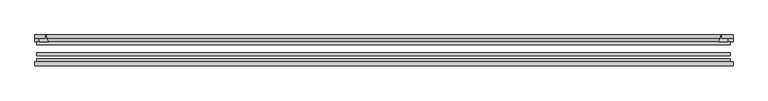
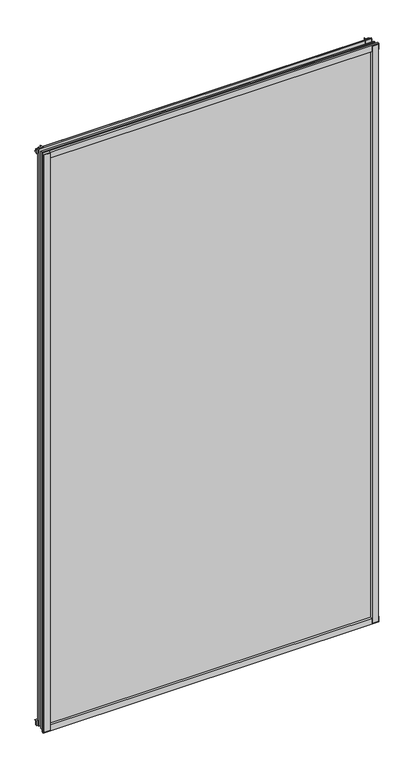
"""IFC4 building model written with IfcOpenShell, lengths in millimetres: plate geometry."""

from ifc_helpers import new_model, si_unit, point, frame, frame_2d, origin, place, context, project, spatial, polyline, circle_curve, trimmed, segment, composite_curve, outline, extrude, source, transform, mapped, element, save


def plate_1f5211c1(model_context):
    return source(origin(), model_context, "Body", "SweptSolid", [
        extrude(outline(composite_curve([segment(polyline([(-549.0765856, -78.7828625), (-527.6553843, -78.7828625)]), True, "CONTINUOUS"), segment(trimmed(circle_curve(frame_2d((-520.0182187, -84.652782)), 9.6323545), [point((-527.6553843, -78.7828625))], [point((-529.6386021, -85.1328625))], True, "CARTESIAN"), True, "CONTINUOUS"), segment(polyline([(-529.6386021, -85.1328625), (-549.0765856, -85.1328625), (-549.0765856, -78.7828625)]), True, "CONTINUOUS")], self_intersect=False)), frame((0.0, 0.0, -14.2875), z_axis=(0.0, 0.0, 1.0), x_axis=(1.0, 0.0, 0.0)), (0.0, 0.0, 1.0), 2009.775),
        extrude(outline(composite_curve([segment(polyline([(551.6584921, -78.7828625), (551.6584921, -85.1328625), (532.1786021, -85.1328625)]), True, "CONTINUOUS"), segment(trimmed(circle_curve(frame_2d((522.5582187, -84.652782)), 9.6323545), [point((532.1786021, -85.1328625))], [point((530.1953843, -78.7828625))], True, "CARTESIAN"), True, "CONTINUOUS"), segment(polyline([(530.1953843, -78.7828625), (551.6584921, -78.7828625)]), True, "CONTINUOUS")], self_intersect=False)), frame((0.0, 0.0, -14.2875), z_axis=(0.0, 0.0, 1.0), x_axis=(1.0, 0.0, 0.0)), (0.0, 0.0, 1.0), 2009.775),
        extrude(outline(composite_curve([segment(polyline([(-47.1852625, -14.2875), (-47.1852625, 3.9588469)]), True, "CONTINUOUS"), segment(trimmed(circle_curve(frame_2d((-30.6824422, 32.267054)), 32.7673262), [point((-47.1852625, 3.9588469))], [point((-36.3503395, -0.00635))], True, "CARTESIAN"), True, "CONTINUOUS"), segment(polyline([(-36.3503395, -0.00635), (-42.2830625, -0.00635), (-42.2830625, -14.2875), (-47.1852625, -14.2875)]), True, "CONTINUOUS")], self_intersect=False)), frame((-552.2515856, 0.0, 0.0), z_axis=(1.0, 0.0, 0.0), x_axis=(0.0, 1.0, 0.0)), (0.0, 0.0, 1.0), 1105.8922337),
        extrude(outline(composite_curve([segment(polyline([(-78.7828625, -16.8821065), (-85.1328625, -16.8821065), (-85.1328625, 2.5977835)]), True, "CONTINUOUS"), segment(trimmed(circle_curve(frame_2d((-84.652782, 12.2181669)), 9.6323545), [point((-85.1328625, 2.5977835))], [point((-78.7828625, 4.5810013))], True, "CARTESIAN"), True, "CONTINUOUS"), segment(polyline([(-78.7828625, 4.5810013), (-78.7828625, -16.8821065)]), True, "CONTINUOUS")], self_intersect=False)), frame((-552.2515856, 0.0, 0.0), z_axis=(1.0, 0.0, 0.0), x_axis=(0.0, 1.0, 0.0)), (0.0, 0.0, 1.0), 1105.8922337),
        extrude(outline(composite_curve([segment(polyline([(-47.1852625, 1977.2284531), (-47.1852625, 1991.9002564), (-42.2830625, 1991.9002564), (-42.2830625, 1981.2), (-36.3140625, 1981.2)]), True, "CONTINUOUS"), segment(trimmed(circle_curve(frame_2d((-30.6824422, 1948.920246)), 32.7673262), [point((-36.3140625, 1981.2))], [point((-47.1852625, 1977.2284531))], True, "CARTESIAN"), True, "CONTINUOUS")], self_intersect=False)), frame((-552.2515856, 0.0, 0.0), z_axis=(1.0, 0.0, 0.0), x_axis=(0.0, 1.0, 0.0)), (0.0, 0.0, 1.0), 1105.8922337),
        extrude(outline(composite_curve([segment(polyline([(-78.7828625, 1998.0694065), (-78.7828625, 1976.6062987)]), True, "CONTINUOUS"), segment(trimmed(circle_curve(frame_2d((-84.652782, 1968.9691331)), 9.6323545), [point((-78.7828625, 1976.6062987))], [point((-85.1328625, 1978.5895165))], True, "CARTESIAN"), True, "CONTINUOUS"), segment(polyline([(-85.1328625, 1978.5895165), (-85.1328625, 1998.0694065), (-78.7828625, 1998.0694065)]), True, "CONTINUOUS")], self_intersect=False)), frame((-552.2515856, 0.0, 0.0), z_axis=(1.0, 0.0, 0.0), x_axis=(0.0, 1.0, 0.0)), (0.0, 0.0, 1.0), 1105.8922337),
        extrude(outline(composite_curve([segment(trimmed(circle_curve(frame_2d((502.5093316, -30.6824422)), 32.7673262), [point((530.8175387, -47.1852625))], [point((534.7890856, -36.3140625))], True, "CARTESIAN"), True, "CONTINUOUS"), segment(polyline([(534.7890856, -36.3140625), (534.7890856, -42.2830625), (545.4894509, -42.2830625), (545.4894509, -47.1852625), (530.8175387, -47.1852625)]), True, "CONTINUOUS")], self_intersect=False)), frame((0.0, 0.0, -14.2875), z_axis=(0.0, 0.0, 1.0), x_axis=(1.0, 0.0, 0.0)), (0.0, 0.0, 1.0), 2009.775),
        extrude(outline(composite_curve([segment(polyline([(-530.8175387, -47.1852625), (-545.4842948, -47.1852625), (-545.4842948, -42.2830625), (-534.7890856, -42.2830625), (-534.7890856, -36.3140625)]), True, "CONTINUOUS"), segment(trimmed(circle_curve(frame_2d((-502.5093316, -30.6824422)), 32.7673262), [point((-534.7890856, -36.3140625))], [point((-530.8175387, -47.1852625))], True, "CARTESIAN"), True, "CONTINUOUS")], self_intersect=False)), frame((0.0, 0.0, -14.2875), z_axis=(0.0, 0.0, 1.0), x_axis=(1.0, 0.0, 0.0)), (0.0, 0.0, 1.0), 2009.775),
        extrude(outline(polyline([(549.0765856, -64.6604625), (549.0765856, -69.4356625), (-549.0765856, -69.4356625), (-549.0765856, -64.6604625), (549.0765856, -64.6604625)])), frame((0.0, 0.0, -14.2875), z_axis=(0.0, 0.0, 1.0), x_axis=(1.0, 0.0, 0.0)), (0.0, 0.0, 1.0), 2009.775),
        extrude(outline(polyline([(-549.0765856, -78.7828625), (-549.0765856, -74.0076625), (549.0765856, -74.0076625), (549.0765856, -78.7828625), (-549.0765856, -78.7828625)])), frame((0.0, 0.0, -14.2875), z_axis=(0.0, 0.0, 1.0), x_axis=(1.0, 0.0, 0.0)), (0.0, 0.0, 1.0), 2009.775),
        extrude(outline(polyline([(-549.0765856, -47.1852625), (549.0765856, -47.1852625), (549.0765856, -51.9604625), (-549.0765856, -51.9604625), (-549.0765856, -47.1852625)])), frame((0.0, 0.0, -14.2875), z_axis=(0.0, 0.0, 1.0), x_axis=(1.0, 0.0, 0.0)), (0.0, 0.0, 1.0), 2009.775),
    ])


if __name__ == "__main__":
    model = new_model("IFC4")
    model_context = context("Model", 3, world=origin())
    ifc_project = project(units=[si_unit("LENGTHUNIT", "METRE", prefix="MILLI")], contexts=[model_context])
    site = spatial("IfcSite", under=ifc_project)
    building = spatial("IfcBuilding", under=site)
    placement = place(None, origin())
    plate_shape = plate_1f5211c1(model_context)
    element("IfcPlate", 1, at=placement, inside=building, context=model_context, shape_type="MappedRepresentation", body=[
        mapped(plate_shape, transform((0.0, 0.0, 0.0), x_axis=(1.0, 0.0, 0.0), y_axis=(0.0, 1.0, 0.0), z_axis=(0.0, 0.0, 1.0))),
    ])
    save(model, "model.ifc")
